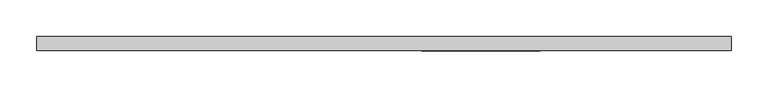
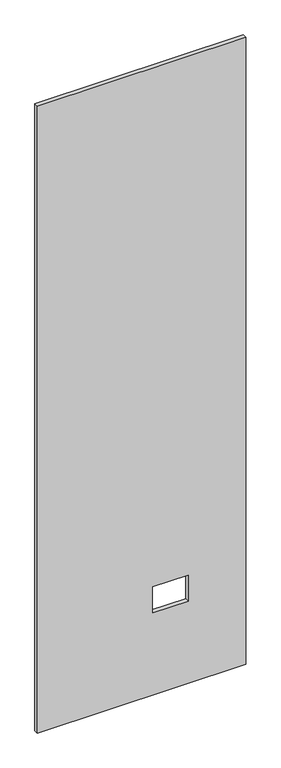
"""IFC4 building model written with IfcOpenShell, lengths in millimetres: proxy geometry."""

from ifc_helpers import new_model, si_unit, frame, origin, place, context, project, spatial, polyline, outline, extrude, source, transform, mapped, element, save


def specialty_equipment_6bb8bf9b(model_context):
    return source(origin(), model_context, "Body", "SweptSolid", [
        extrude(outline(polyline([(2999.5368001, 471.2750006), (2999.5368001, -471.2750006), (3.175, -471.2750006), (3.175, 471.2750006), (2999.5368001, 471.2750006)]), holes=[polyline([(518.9474, 211.8868), (395.4526, 211.8868), (395.4526, 51.3588), (518.9474, 51.3588), (518.9474, 211.8868)])]), frame((0.0, -9.525, 0.0), z_axis=(0.0, 1.0, 0.0), x_axis=(0.0, 0.0, 1.0)), (0.0, 0.0, 1.0), 19.05),
    ])


if __name__ == "__main__":
    model = new_model("IFC4")
    model_context = context("Model", 3, world=origin())
    ifc_project = project(units=[si_unit("LENGTHUNIT", "METRE", prefix="MILLI")], contexts=[model_context])
    site = spatial("IfcSite", under=ifc_project)
    building = spatial("IfcBuilding", under=site)
    placement = place(None, origin())
    specialty_equipment_shape = specialty_equipment_6bb8bf9b(model_context)
    element("IfcBuildingElementProxy", 1, Name="Specialty Equipment", at=placement, inside=building, context=model_context, shape_type="MappedRepresentation", body=[
        mapped(specialty_equipment_shape, transform((0.0, 0.0, 0.0), x_axis=(1.0, 0.0, 0.0), y_axis=(0.0, 1.0, 0.0), z_axis=(0.0, 0.0, 1.0))),
    ])
    save(model, "model.ifc")
